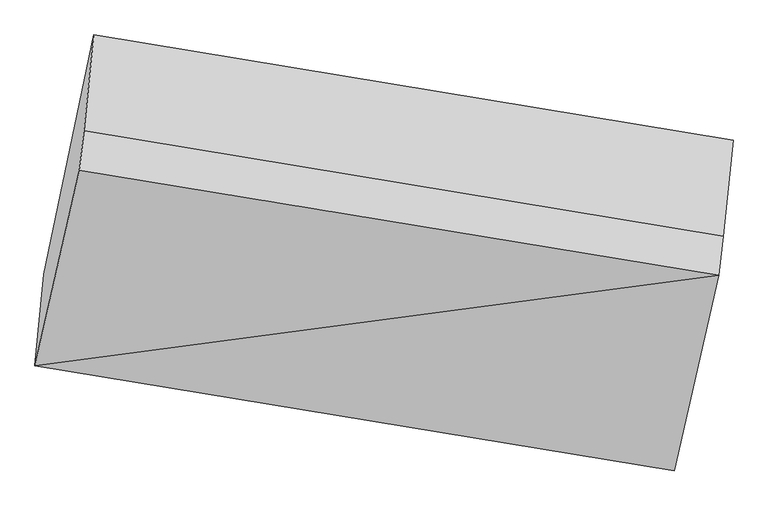
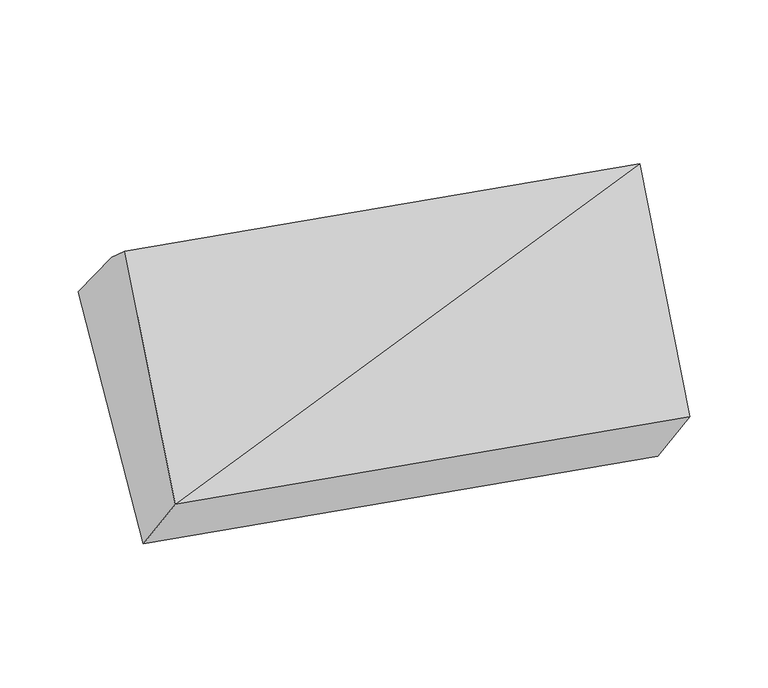
"""IFC4 building model written with IfcOpenShell, lengths in millimetres: proxy geometry."""

from ifc_helpers import new_model, si_unit, origin, place, context, project, spatial, faceted_brep, source, transform, mapped, element, save


def generic_models_4fb92de2(model_context):
    return source(origin(), model_context, "Body", "Brep", [
        faceted_brep([(-3848.4793552, -1760.2822099, 1788.0182439), (-3823.2633046, -1500.6484937, 1459.2314627), (-2001.6402866, -1800.659613, 1362.0290646), (-2026.8563372, -2060.2933293, 1690.8158459), (-3721.7283491, -1203.2678419, 2444.1959457), (-1900.1053311, -1503.2789612, 2346.9935476), (-3708.5437002, -1091.7036259, 2346.9447916), (-1886.9206822, -1391.7147452, 2249.7423935), (-3680.4905707, -818.1038659, 2028.2207223), (-1858.8675528, -1118.1149852, 1931.0183242)], [[[0, 1, 2, 3]], [[4, 0, 5]], [[6, 4, 5, 7]], [[8, 6, 7, 9]], [[1, 8, 9, 2]], [[7, 5, 3, 2, 9]], [[1, 0, 4, 6, 8]], [[3, 5, 0]]]),
    ])


if __name__ == "__main__":
    model = new_model("IFC4")
    model_context = context("Model", 3, world=origin())
    ifc_project = project(units=[si_unit("LENGTHUNIT", "METRE", prefix="MILLI")], contexts=[model_context])
    site = spatial("IfcSite", under=ifc_project)
    building = spatial("IfcBuilding", under=site)
    placement = place(None, origin())
    generic_models_shape = generic_models_4fb92de2(model_context)
    element("IfcBuildingElementProxy", 1, Name="Generic Models", at=placement, inside=building, context=model_context, shape_type="MappedRepresentation", body=[
        mapped(generic_models_shape, transform((0.0, 0.0, 0.0), x_axis=(1.0, 0.0, 0.0), y_axis=(0.0, 1.0, 0.0), z_axis=(0.0, 0.0, 1.0))),
    ])
    save(model, "model.ifc")
